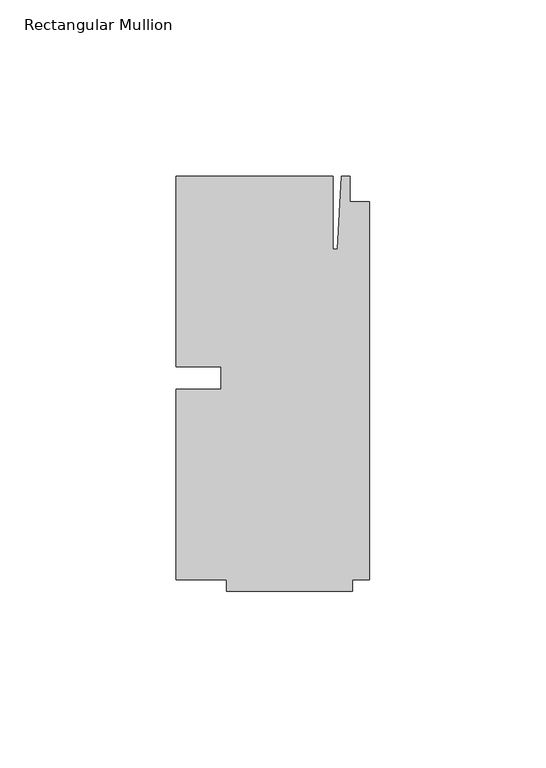
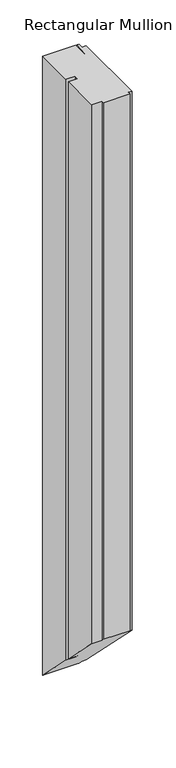
"""IFC4 building model written with IfcOpenShell, lengths in millimetres: member geometry, Rectangular Mullion."""

from ifc_helpers import new_model, si_unit, origin, place, context, project, spatial, faceted_brep, source, transform, mapped, element, save


def rectangular_mullion_2570ac4d(model_context):
    return source(origin(), model_context, "Body", "Brep", [
        faceted_brep([(-42.06875, -3.175, 0.0), (-54.76875, -3.175, 0.0), (-54.76875, -57.15, 0.0), (-40.48125, -57.15, 0.0), (-40.48125, -60.325, 0.0), (-4.7625, -60.325, 0.0), (-4.7625, -57.15, 0.0), (0.0, -57.15, 0.0), (0.0, 50.00625, 0.0), (-5.55625, 50.00625, 0.0), (-5.55625, 57.15, 0.0), (-7.9375, 57.15, 0.0), (-9.0190655, 36.5125, 0.0), (-10.31875, 36.5125, 0.0), (-10.31875, 57.15, 0.0), (-54.76875, 57.15, 0.0), (-54.76875, 3.175, 0.0), (-42.06875, 3.175, 0.0), (-42.06875, -3.175, -823.3833333), (-54.76875, -3.175, -823.3833333), (-54.76875, -57.15, -769.4083333), (-40.48125, -57.15, -769.4083333), (-40.48125, -60.325, -766.2333333), (-4.7625, -60.325, -766.2333333), (-4.7625, -57.15, -769.4083333), (0.0, -57.15, -769.4083333), (0.0, 50.00625, -876.5645833), (-5.55625, 50.00625, -876.5645833), (-5.55625, 57.15, -883.7083333), (-7.9375, 57.15, -883.7083333), (-9.0190655, 36.5125, -863.0708333), (-10.31875, 36.5125, -863.0708333), (-10.31875, 57.15, -883.7083333), (-54.76875, 57.15, -883.7083333), (-54.76875, 3.175, -829.7333333), (-42.06875, 3.175, -829.7333333)], [[[0, 1, 2, 3, 4, 5, 6, 7, 8, 9, 10, 11, 12, 13, 14, 15, 16, 17]], [[1, 0, 18, 19]], [[2, 1, 19, 20]], [[3, 2, 20, 21]], [[4, 3, 21, 22]], [[5, 4, 22, 23]], [[6, 5, 23, 24]], [[7, 6, 24, 25]], [[8, 7, 25, 26]], [[9, 8, 26, 27]], [[10, 9, 27, 28]], [[11, 10, 28, 29]], [[12, 11, 29, 30]], [[13, 12, 30, 31]], [[14, 13, 31, 32]], [[15, 14, 32, 33]], [[16, 15, 33, 34]], [[17, 16, 34, 35]], [[0, 17, 35, 18]], [[18, 35, 34, 33, 32, 31, 30, 29, 28, 27, 26, 25, 24, 23, 22, 21, 20, 19]]]),
    ])


if __name__ == "__main__":
    model = new_model("IFC4")
    model_context = context("Model", 3, world=origin())
    ifc_project = project(units=[si_unit("LENGTHUNIT", "METRE", prefix="MILLI")], contexts=[model_context])
    site = spatial("IfcSite", under=ifc_project)
    building = spatial("IfcBuilding", under=site)
    placement = place(None, origin())
    rectangular_mullion_shape = rectangular_mullion_2570ac4d(model_context)
    element("IfcMember", 1, ObjectType="Rectangular Mullion", at=placement, inside=building, context=model_context, shape_type="MappedRepresentation", body=[
        mapped(rectangular_mullion_shape, transform((0.0, 0.0, 0.0), x_axis=(1.0, 0.0, 0.0), y_axis=(0.0, 1.0, 0.0), z_axis=(0.0, 0.0, 1.0))),
    ])
    save(model, "model.ifc")
